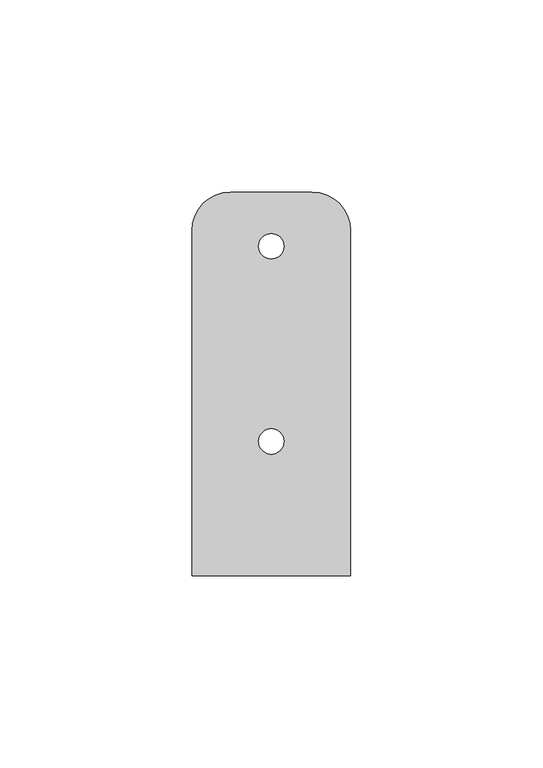
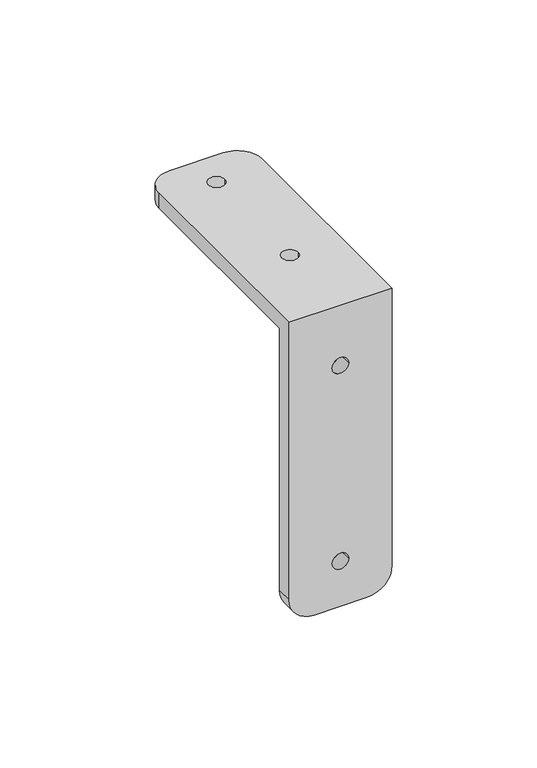
"""IFC4 building model written with IfcOpenShell, lengths in millimetres: proxy geometry."""

import ifcopenshell
import ifcopenshell.guid

model = None  # the IFC model being written
_history = None  # IfcOwnerHistory: only IFC2X3 demands one
_inside = {}  # id of a spatial element -> (the spatial element, [elements in it])
_under = {}  # id of a project, library or spatial element -> (it, [spatial elements below it])
_declared = {}  # id of a project -> (the project, [libraries it declares])
_typed = {}  # id of a type object -> (the type object, [elements of that type])
_made_of = {}  # id of a material, layer set ... -> (it, [elements and type objects made of it])


def new_model(schema):
    """Start an empty IFC model of exactly this schema.

    Asked for "IFC4X3", IfcOpenShell would pick the latest addendum, in which some entities
    have other attributes; the version numbers below select the first issue.
    IFC2X3 requires an IfcOwnerHistory on every rooted entity: one is made here for all.
    """
    global model, _history
    if schema == "IFC4X3":
        model = ifcopenshell.file(schema_version=(4, 3, 0, 0))
    else:
        model = ifcopenshell.file(schema=schema)
    _inside.clear()
    _under.clear()
    _declared.clear()
    _typed.clear()
    _made_of.clear()
    _history = None
    if model.schema == "IFC2X3":
        org = make("IfcOrganization", Name="unknown")
        user = make(
            "IfcPersonAndOrganization",
            ThePerson=make("IfcPerson", FamilyName="unknown"),
            TheOrganization=org,
        )
        app = make(
            "IfcApplication",
            ApplicationDeveloper=org,
            Version="unknown",
            ApplicationFullName="unknown",
            ApplicationIdentifier="unknown",
        )
        _history = make(
            "IfcOwnerHistory",
            OwningUser=user,
            OwningApplication=app,
            ChangeAction="ADDED",
            CreationDate=0,
        )
    return model


def make(cls, **values):
    """One entity of the class cls with the attributes given. An attribute that is None is left unset."""
    return model.create_entity(
        cls, **{name: value for name, value in values.items() if value is not None}
    )


def rooted(cls, **values):
    """An entity with a GlobalId (a new one), such as an element, a storey or a relation."""
    return make(cls, GlobalId=ifcopenshell.guid.new(), OwnerHistory=_history, **values)


def si_unit(unit_type, name, prefix=None):
    """IfcSIUnit, for example si_unit("LENGTHUNIT", "METRE", prefix="MILLI")."""
    return make("IfcSIUnit", UnitType=unit_type, Prefix=prefix, Name=name)


def assignment(units):
    """IfcUnitAssignment: the units of a project."""
    return None if units is None else make("IfcUnitAssignment", Units=units)


def point(xyz):
    """IfcCartesianPoint."""
    return None if xyz is None else make("IfcCartesianPoint", Coordinates=xyz)


def direction(xyz):
    """IfcDirection."""
    return None if xyz is None else make("IfcDirection", DirectionRatios=xyz)


def frame(location, z_axis=None, x_axis=None):
    """IfcAxis2Placement3D, a coordinate frame: its origin and axes. An axis left out is left unset."""
    return make(
        "IfcAxis2Placement3D",
        Location=point(location),
        Axis=direction(z_axis),
        RefDirection=direction(x_axis),
    )


def origin():
    """The frame at (0, 0, 0) with its axes left unset."""
    return frame((0.0, 0.0, 0.0))


def place(relative_to, where):
    """IfcLocalPlacement: puts the frame where relative to a parent placement (None: the world)."""
    return make(
        "IfcLocalPlacement", PlacementRelTo=relative_to, RelativePlacement=where
    )


def context(
    kind, dimensions, precision=None, world=None, true_north=None, identifier=None
):
    """IfcGeometricRepresentationContext, for example the 3D "Model" context."""
    return make(
        "IfcGeometricRepresentationContext",
        ContextIdentifier=identifier,
        ContextType=kind,
        CoordinateSpaceDimension=dimensions,
        Precision=precision,
        WorldCoordinateSystem=world,
        TrueNorth=true_north,
    )


def project(units=None, contexts=None):
    """IfcProject with its units and contexts."""
    return rooted(
        "IfcProject",
        Name="project",
        RepresentationContexts=contexts,
        UnitsInContext=assignment(units),
    )


def spatial(cls, under=None, at=None, **own):
    """A site, building, storey or space (cls), placed at a placement, below another one or the project."""
    s = rooted(cls, ObjectPlacement=at, **own)
    if under is not None:
        _under.setdefault(under.id(), (under, []))[1].append(s)
    return s


def polyline(points):
    """IfcPolyline through the points."""
    return make("IfcPolyline", Points=[point(p) for p in points])


def circle_curve(where, radius):
    """IfcCircle in the frame where."""
    return make("IfcCircle", Position=where, Radius=radius)


def shape(context_of_items, identifier, shape_type, items):
    """IfcShapeRepresentation: the items that make up one representation, for example the "Body"."""
    return make(
        "IfcShapeRepresentation",
        ContextOfItems=context_of_items,
        RepresentationIdentifier=identifier,
        RepresentationType=shape_type,
        Items=items,
    )


def source(mapping_origin, context_of_items, identifier, shape_type, items):
    """IfcRepresentationMap: a shape defined once, which mapped items show again and again."""
    return make(
        "IfcRepresentationMap",
        MappingOrigin=mapping_origin,
        MappedRepresentation=shape(context_of_items, identifier, shape_type, items),
    )


def transform(
    local_origin,
    x_axis=None,
    y_axis=None,
    z_axis=None,
    scale=None,
    scale2=None,
    scale3=None,
    uniform=True,
):
    """IfcCartesianTransformationOperator3D, or its non-uniform kind. x_axis, y_axis, z_axis: its Axis1, 2, 3."""
    if uniform:
        return make(
            "IfcCartesianTransformationOperator3D",
            Axis1=direction(x_axis),
            Axis2=direction(y_axis),
            LocalOrigin=point(local_origin),
            Scale=scale,
            Axis3=direction(z_axis),
        )
    return make(
        "IfcCartesianTransformationOperator3DnonUniform",
        Axis1=direction(x_axis),
        Axis2=direction(y_axis),
        LocalOrigin=point(local_origin),
        Scale=scale,
        Axis3=direction(z_axis),
        Scale2=scale2,
        Scale3=scale3,
    )


def mapped(mapping_source, mapping_target):
    """IfcMappedItem: shows the shape of a source again, moved by a transform."""
    return make(
        "IfcMappedItem", MappingSource=mapping_source, MappingTarget=mapping_target
    )


def made_of(thing, what):
    """Note that an element or type object is made of a material, layer set ...; save() writes the relation."""
    if what is not None:
        _made_of.setdefault(what.id(), (what, []))[1].append(thing)
    return thing


def element(
    cls,
    number,
    at=None,
    inside=None,
    cuts=None,
    type_object=None,
    material=None,
    context=None,
    identifier="Body",
    shape_type=None,
    held_by="IfcProductDefinitionShape",
    body=None,
    shapes=None,
    **own,
):
    """One element of the class cls, such as IfcWall. Its Tag is "e" and its number.

    at: its placement. inside: the storey or other place that contains it. cuts: it is an
    opening in that element (IfcRelVoidsElement). A single representation is given by context,
    identifier, shape_type and body (its items); several are given by shapes. held_by: the class
    of the entity that holds the representations. save() writes the other relations.
    """
    e = rooted(cls, Tag="e%d" % number, ObjectPlacement=at, **own)
    if body is not None:
        shapes = [shape(context, identifier, shape_type, body)]
    if shapes is not None:
        e.Representation = make(held_by, Representations=shapes)
    if inside is not None:
        _inside.setdefault(inside.id(), (inside, []))[1].append(e)
    if cuts is not None:
        rooted(
            "IfcRelVoidsElement", RelatingBuildingElement=cuts, RelatedOpeningElement=e
        )
    if type_object is not None:
        _typed.setdefault(type_object.id(), (type_object, []))[1].append(e)
    return made_of(e, material)


def aggregate(whole, parts):
    """IfcRelAggregates: a whole, such as a stair, and the parts it consists of."""
    return rooted("IfcRelAggregates", RelatingObject=whole, RelatedObjects=parts)


def save(model, path):
    """Write the relations noted so far, then the file.

    IfcRelAggregates (storeys below a building ...), IfcRelContainedInSpatialStructure (elements
    in a storey), IfcRelDefinesByType, IfcRelAssociatesMaterial and IfcRelDeclares: one each for
    every whole, place, type object, material and project.
    """
    for whole, parts in _under.values():
        aggregate(whole, parts)
    for where, things in _inside.values():
        rooted(
            "IfcRelContainedInSpatialStructure",
            RelatedElements=things,
            RelatingStructure=where,
        )
    for kind, things in _typed.values():
        rooted("IfcRelDefinesByType", RelatedObjects=things, RelatingType=kind)
    for what, things in _made_of.values():
        rooted("IfcRelAssociatesMaterial", RelatedObjects=things, RelatingMaterial=what)
    for by, libraries in _declared.values():
        rooted("IfcRelDeclares", RelatingContext=by, RelatedDefinitions=libraries)
    model.write(path)


def plane_surface(at):
    """IfcPlane: the flat surface through the origin of the frame at, square to its z axis."""
    return make("IfcPlane", Position=at)


def cylinder_surface(at, radius):
    """IfcCylindricalSurface: all points at the distance radius from the z axis of the frame at."""
    return make("IfcCylindricalSurface", Position=at, Radius=radius)


def revolved_surface(curve, axis_point, axis_direction):
    """IfcSurfaceOfRevolution: the curve turned about the line through axis_point along axis_direction."""
    return make(
        "IfcSurfaceOfRevolution",
        SweptCurve=make("IfcArbitraryOpenProfileDef", ProfileType="CURVE", Curve=curve),
        AxisPosition=make("IfcAxis1Placement", Location=point(axis_point), Axis=direction(axis_direction)),
    )


def advanced_brep(points, edges, surfaces, faces):
    """IfcAdvancedBrep: a solid bounded by faces that lie on surfaces and meet in shared edges.

    An edge is (start, end): straight between two places in points (the first is 0);
    or (start, end, curve); or (start, end, curve, False) where it runs against its curve.
    A face is (place in surfaces, loops), or (place, loops, False) where it looks against
    its surface's normal. A loop lists edges by number (the first is 1), with a minus sign
    where the edge is run from its end to its start. The first loop is the outer one.
    """
    corners = [point(p) for p in points]
    vertices = [make("IfcVertexPoint", VertexGeometry=c) for c in corners]
    made = []
    for start, end, *more in edges:
        made.append(
            make(
                "IfcEdgeCurve",
                EdgeStart=vertices[start],
                EdgeEnd=vertices[end],
                EdgeGeometry=more[0] if more else make("IfcPolyline", Points=[corners[start], corners[end]]),
                SameSense=more[1] if len(more) > 1 else True,
            )
        )
    hull = []
    for where, loops, *sense in faces:
        bounds = []
        for j, loop in enumerate(loops):
            ring = [make("IfcOrientedEdge", EdgeElement=made[abs(k) - 1], Orientation=k > 0) for k in loop]
            bounds.append(
                make(
                    "IfcFaceOuterBound" if j == 0 else "IfcFaceBound",
                    Bound=make("IfcEdgeLoop", EdgeList=ring),
                    Orientation=True,
                )
            )
        hull.append(make("IfcAdvancedFace", Bounds=bounds, FaceSurface=surfaces[where], SameSense=sense[0] if sense else True))
    return make("IfcAdvancedBrep", Outer=make("IfcClosedShell", CfsFaces=hull))


def generic_models_74412000(model_context):
    return source(origin(), model_context, "Body", "AdvancedBrep", [
        advanced_brep(
        [(-20.6375, -8.341, -110.65), (-20.6375, -8.341, 0.0), (20.6375, -8.341, 0.0), (20.6375, -8.341, -110.65), (10.6375, -8.341, -120.65), (-10.6375, -8.341, -120.65), (-3.302, -8.341, -101.6), (3.302, -8.341, -101.6), (-3.302, -8.341, -19.05), (3.302, -8.341, -19.05), (-20.6375, -14.691, -110.65), (-10.6375, -14.691, -120.65), (10.6375, -14.691, -120.65), (20.6375, -14.691, -110.65), (20.6375, -14.691, 6.35), (-20.6375, -14.691, 6.35), (-3.302, -14.691, -101.6), (3.302, -14.691, -101.6), (-3.302, -14.691, -19.05), (3.302, -14.691, -19.05), (20.6375, 75.09, 0.0), (20.6375, 75.09, 6.35), (-20.6375, 75.09, 6.35), (-20.6375, 75.09, 0.0), (10.6375, 85.09, 6.35), (-10.6375, 85.09, 6.35), (-3.302, 20.2341094, 6.35), (3.302, 20.2341094, 6.35), (-3.302, 71.0341094, 6.35), (3.302, 71.0341094, 6.35), (-10.6375, 85.09, 0.0), (10.6375, 85.09, 0.0), (-3.302, 20.2341094, 0.0), (3.302, 20.2341094, 0.0), (-3.302, 71.0341094, 0.0), (3.302, 71.0341094, 0.0)],
        [
            (0, 1),
            (1, 2),
            (2, 3),
            (3, 4, circle_curve(frame((10.6375, -8.341, -110.65), z_axis=(0.0, 1.0, 0.0), x_axis=(1.0, 0.0, 0.0)), 10.0)),
            (4, 5),
            (5, 0, circle_curve(frame((-10.6375, -8.341, -110.65), z_axis=(0.0, 1.0, 0.0), x_axis=(1.0, 0.0, 0.0)), 10.0)),
            (6, 7, circle_curve(frame((0.0, -8.341, -101.6), z_axis=(0.0, -1.0, 0.0), x_axis=(1.0, 0.0, 0.0)), 3.302)),
            (7, 6, circle_curve(frame((0.0, -8.341, -101.6), z_axis=(0.0, -1.0, 0.0), x_axis=(1.0, 0.0, 0.0)), 3.302)),
            (8, 9, circle_curve(frame((0.0, -8.341, -19.05), z_axis=(0.0, -1.0, 0.0), x_axis=(1.0, 0.0, 0.0)), 3.302)),
            (9, 8, circle_curve(frame((0.0, -8.341, -19.05), z_axis=(0.0, -1.0, 0.0), x_axis=(1.0, 0.0, 0.0)), 3.302)),
            (10, 11, circle_curve(frame((-10.6375, -14.691, -110.65), z_axis=(0.0, -1.0, 0.0), x_axis=(1.0, 0.0, 0.0)), 10.0)),
            (11, 12),
            (12, 13, circle_curve(frame((10.6375, -14.691, -110.65), z_axis=(0.0, -1.0, 0.0), x_axis=(1.0, 0.0, 0.0)), 10.0)),
            (13, 14),
            (14, 15),
            (15, 10),
            (16, 17, circle_curve(frame((0.0, -14.691, -101.6), z_axis=(0.0, 1.0, 0.0), x_axis=(1.0, 0.0, 0.0)), 3.302)),
            (17, 16, circle_curve(frame((0.0, -14.691, -101.6), z_axis=(0.0, 1.0, 0.0), x_axis=(1.0, 0.0, 0.0)), 3.302)),
            (18, 19, circle_curve(frame((0.0, -14.691, -19.05), z_axis=(0.0, 1.0, 0.0), x_axis=(1.0, 0.0, 0.0)), 3.302)),
            (19, 18, circle_curve(frame((0.0, -14.691, -19.05), z_axis=(0.0, 1.0, 0.0), x_axis=(1.0, 0.0, 0.0)), 3.302)),
            (5, 11),
            (10, 0),
            (4, 12),
            (3, 13),
            (2, 20),
            (20, 21),
            (21, 14),
            (15, 22),
            (22, 23),
            (23, 1),
            (7, 17),
            (16, 6),
            (9, 19),
            (18, 8),
            (21, 24, circle_curve(frame((10.6375, 75.09, 6.35), z_axis=(0.0, 0.0, 1.0), x_axis=(-1.0, 0.0, 0.0)), 10.0)),
            (24, 25),
            (25, 22, circle_curve(frame((-10.6375, 75.09, 6.35), z_axis=(0.0, 0.0, 1.0), x_axis=(-1.0, 0.0, 0.0)), 10.0)),
            (26, 27, circle_curve(frame((0.0, 20.2341094, 6.35), z_axis=(0.0, 0.0, -1.0), x_axis=(1.0, 0.0, 0.0)), 3.302)),
            (27, 26, circle_curve(frame((0.0, 20.2341094, 6.35), z_axis=(0.0, 0.0, -1.0), x_axis=(1.0, 0.0, 0.0)), 3.302)),
            (28, 29, circle_curve(frame((0.0, 71.0341094, 6.35), z_axis=(0.0, 0.0, -1.0), x_axis=(1.0, 0.0, 0.0)), 3.302)),
            (29, 28, circle_curve(frame((0.0, 71.0341094, 6.35), z_axis=(0.0, 0.0, -1.0), x_axis=(1.0, 0.0, 0.0)), 3.302)),
            (23, 30, circle_curve(frame((-10.6375, 75.09, 0.0), z_axis=(0.0, 0.0, -1.0), x_axis=(-1.0, 0.0, 0.0)), 10.0)),
            (30, 31),
            (31, 20, circle_curve(frame((10.6375, 75.09, 0.0), z_axis=(0.0, 0.0, -1.0), x_axis=(-1.0, 0.0, 0.0)), 10.0)),
            (32, 33, circle_curve(frame((0.0, 20.2341094, 0.0), z_axis=(0.0, 0.0, 1.0), x_axis=(1.0, 0.0, 0.0)), 3.302)),
            (33, 32, circle_curve(frame((0.0, 20.2341094, 0.0), z_axis=(0.0, 0.0, 1.0), x_axis=(1.0, 0.0, 0.0)), 3.302)),
            (34, 35, circle_curve(frame((0.0, 71.0341094, 0.0), z_axis=(0.0, 0.0, 1.0), x_axis=(1.0, 0.0, 0.0)), 3.302)),
            (35, 34, circle_curve(frame((0.0, 71.0341094, 0.0), z_axis=(0.0, 0.0, 1.0), x_axis=(1.0, 0.0, 0.0)), 3.302)),
            (31, 24),
            (30, 25),
            (26, 32),
            (33, 27),
            (28, 34),
            (35, 29),
        ],
        [
            plane_surface(frame((-0.6375, -8.341, -110.65), z_axis=(0.0, 1.0, 0.0), x_axis=(0.0, 0.0, -1.0))),
            plane_surface(frame((-0.6375, -14.691, -110.65), z_axis=(0.0, -1.0, 0.0), x_axis=(0.0, 0.0, 1.0))),
            cylinder_surface(frame((-10.6375, -8.341, -110.65), z_axis=(0.0, -1.0, 0.0), x_axis=(1.0, 0.0, 0.0)), 10.0),
            plane_surface(frame((-10.6375, -14.691, -120.65), z_axis=(0.0, 0.0, -1.0), x_axis=(0.0, 1.0, 0.0))),
            cylinder_surface(frame((10.6375, -8.341, -110.65), z_axis=(0.0, -1.0, 0.0), x_axis=(1.0, 0.0, 0.0)), 10.0),
            plane_surface(frame((20.6375, -14.691, -110.65), z_axis=(1.0, 0.0, 0.0), x_axis=(0.0, 1.0, 0.0))),
            plane_surface(frame((-20.6375, -14.691, 0.0), z_axis=(-1.0, 0.0, 0.0), x_axis=(0.0, 1.0, 0.0))),
            revolved_surface(polyline([(3.302, -8.341, -101.6), (3.302, -14.691, -101.6)]), (0.0, 0.0, -101.6), (0.0, 1.0, 0.0)),
            revolved_surface(polyline([(3.302, -8.341, -19.05), (3.302, -14.691, -19.05)]), (0.0, 0.0, -19.05), (0.0, 1.0, 0.0)),
            plane_surface(frame((-20.6375, 75.09, 6.35), z_axis=(0.0, 0.0, 1.0), x_axis=(0.0, -1.0, 0.0))),
            plane_surface(frame((-20.6375, 75.09, 0.0), z_axis=(0.0, 0.0, -1.0), x_axis=(0.0, 1.0, 0.0))),
            cylinder_surface(frame((10.6375, 75.09, 0.0), z_axis=(0.0, 0.0, 1.0), x_axis=(-1.0, 0.0, 0.0)), 10.0),
            plane_surface(frame((10.6375, 85.09, 6.35), z_axis=(0.0, 1.0, 0.0), x_axis=(0.0, 0.0, -1.0))),
            cylinder_surface(frame((-10.6375, 75.09, 0.0), z_axis=(0.0, 0.0, 1.0), x_axis=(-1.0, 0.0, 0.0)), 10.0),
            revolved_surface(polyline([(3.302, 20.2341094, 0.0), (3.302, 20.2341094, 6.35)]), (0.0, 20.2341094, 0.0), (0.0, 0.0, -1.0)),
            revolved_surface(polyline([(3.302, 71.0341094, 0.0), (3.302, 71.0341094, 6.35)]), (0.0, 71.0341094, 0.0), (0.0, 0.0, -1.0)),
        ],
        [
            (0, [[1, 2, 3, 4, 5, 6], [7, 8], [9, 10]]),
            (1, [[11, 12, 13, 14, 15, 16], [17, 18], [19, 20]]),
            (2, [[-6, 21, -11, 22]]),
            (3, [[-5, 23, -12, -21]]),
            (4, [[-4, 24, -13, -23]]),
            (5, [[-3, 25, 26, 27, -14, -24]]),
            (6, [[-1, -22, -16, 28, 29, 30]]),
            (7, [[-8, 31, -17, 32]]),
            (7, [[-7, -32, -18, -31]]),
            (8, [[-10, 33, -19, 34]]),
            (8, [[-9, -34, -20, -33]]),
            (9, [[-28, -15, -27, 35, 36, 37], [38, 39], [40, 41]]),
            (10, [[42, 43, 44, -25, -2, -30], [45, 46], [47, 48]]),
            (11, [[-35, -26, -44, 49]]),
            (12, [[-36, -49, -43, 50]]),
            (13, [[-37, -50, -42, -29]]),
            (14, [[-38, 51, -46, 52]]),
            (14, [[-39, -52, -45, -51]]),
            (15, [[-40, 53, -48, 54]]),
            (15, [[-41, -54, -47, -53]]),
        ],
    ),
    ])


if __name__ == "__main__":
    model = new_model("IFC4")
    model_context = context("Model", 3, world=origin())
    ifc_project = project(units=[si_unit("LENGTHUNIT", "METRE", prefix="MILLI")], contexts=[model_context])
    site = spatial("IfcSite", under=ifc_project)
    building = spatial("IfcBuilding", under=site)
    placement = place(None, origin())
    generic_models_shape = generic_models_74412000(model_context)
    element("IfcBuildingElementProxy", 1, Name="Generic Models", at=placement, inside=building, context=model_context, shape_type="MappedRepresentation", body=[
        mapped(generic_models_shape, transform((0.0, 0.0, 0.0), x_axis=(1.0, 0.0, 0.0), y_axis=(0.0, 1.0, 0.0), z_axis=(0.0, 0.0, 1.0))),
    ])
    save(model, "model.ifc")
